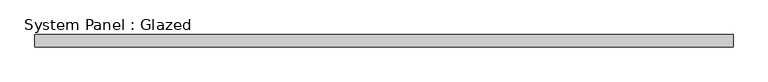
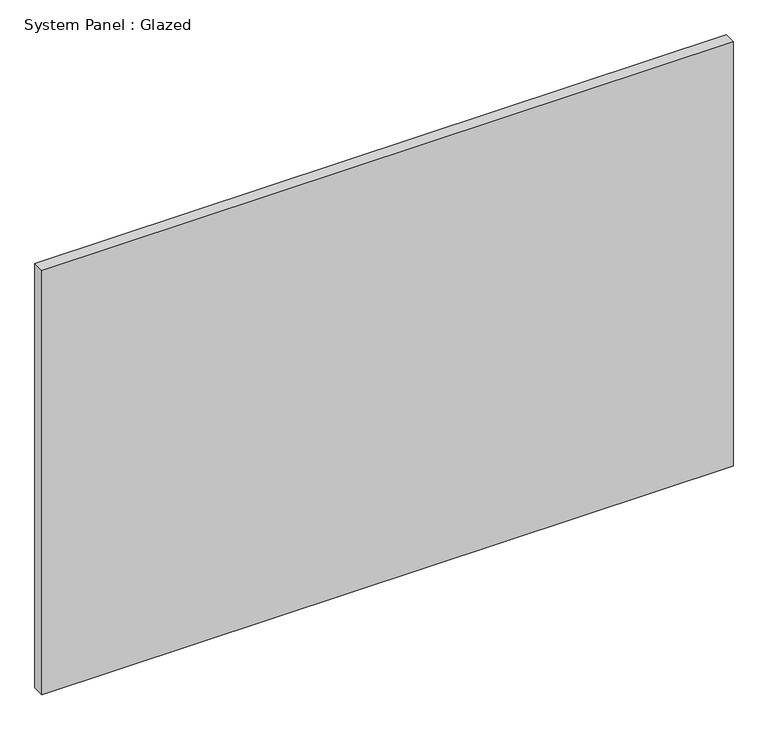
"""IFC4 building model written with IfcOpenShell, lengths in millimetres: plate geometry, System Panel : Glazed."""

from ifc_helpers import new_model, si_unit, origin, origin_with_axes, place, context, project, spatial, polyline, outline, extrude, source, transform, mapped, element, save


def system_panel_glazed_2ace5679(model_context):
    return source(origin(), model_context, "Body", "SweptSolid", [
        extrude(outline(polyline([(712.5, 24.5), (-712.5, 24.5), (-712.5, 49.5), (712.5, 49.5), (712.5, 24.5)])), origin_with_axes(), (0.0, 0.0, 1.0), 925.0),
    ])


if __name__ == "__main__":
    model = new_model("IFC4")
    model_context = context("Model", 3, world=origin())
    ifc_project = project(units=[si_unit("LENGTHUNIT", "METRE", prefix="MILLI")], contexts=[model_context])
    site = spatial("IfcSite", under=ifc_project)
    building = spatial("IfcBuilding", under=site)
    placement = place(None, origin())
    system_panel_glazed_shape = system_panel_glazed_2ace5679(model_context)
    element("IfcPlate", 1, ObjectType="System Panel : Glazed", at=placement, inside=building, context=model_context, shape_type="MappedRepresentation", body=[
        mapped(system_panel_glazed_shape, transform((0.0, 0.0, 0.0), x_axis=(1.0, 0.0, 0.0), y_axis=(0.0, 1.0, 0.0), z_axis=(0.0, 0.0, 1.0))),
    ])
    save(model, "model.ifc")
